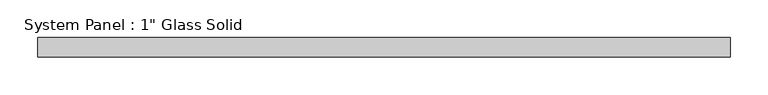
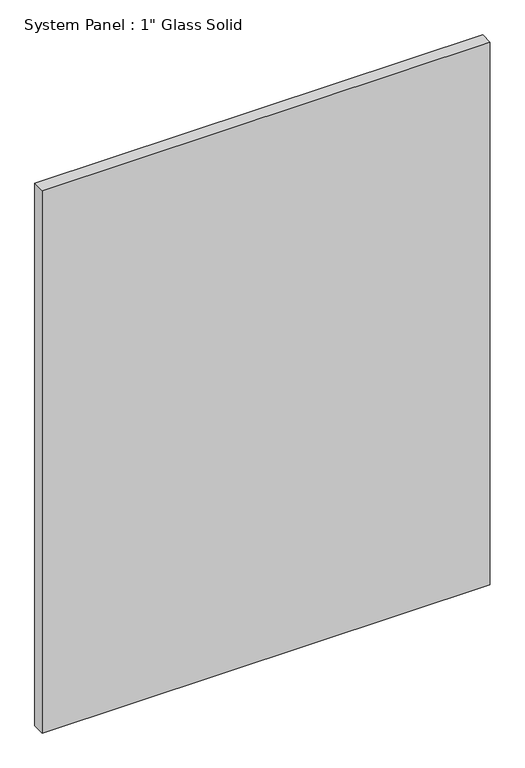
"""IFC4 building model written with IfcOpenShell, lengths in millimetres: plate geometry."""

from ifc_helpers import new_model, si_unit, origin, origin_with_axes, place, context, project, spatial, polyline, outline, extrude, source, transform, mapped, element, save


def plate_b6ce3915(model_context):
    return source(origin(), model_context, "Body", "SweptSolid", [
        extrude(outline(polyline([(456.6211839, -12.7), (-456.6211839, -12.7), (-456.6211839, 12.7), (456.6211839, 12.7), (456.6211839, -12.7)])), origin_with_axes(), (0.0, 0.0, 1.0), 1168.4017704),
    ])


if __name__ == "__main__":
    model = new_model("IFC4")
    model_context = context("Model", 3, world=origin())
    ifc_project = project(units=[si_unit("LENGTHUNIT", "METRE", prefix="MILLI")], contexts=[model_context])
    site = spatial("IfcSite", under=ifc_project)
    building = spatial("IfcBuilding", under=site)
    placement = place(None, origin())
    plate_shape = plate_b6ce3915(model_context)
    element("IfcPlate", 1, ObjectType="System Panel : 1\" Glass Solid", at=placement, inside=building, context=model_context, shape_type="MappedRepresentation", body=[
        mapped(plate_shape, transform((0.0, 0.0, 0.0), x_axis=(1.0, 0.0, 0.0), y_axis=(0.0, 1.0, 0.0), z_axis=(0.0, 0.0, 1.0))),
    ])
    save(model, "model.ifc")
